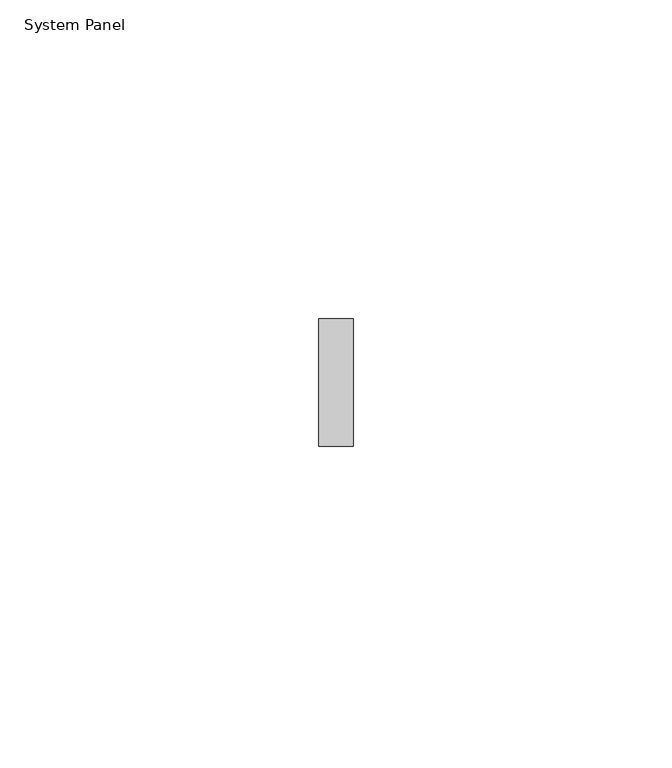
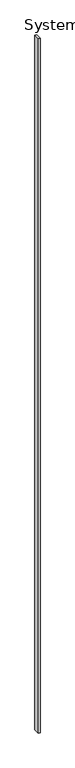
"""IFC4 building model written with IfcOpenShell, lengths in millimetres: plate geometry, System Panel."""

from ifc_helpers import new_model, si_unit, origin, origin_with_axes, place, context, project, spatial, polyline, outline, extrude, source, transform, mapped, element, save


def system_panel_975e6e6e(model_context):
    return source(origin(), model_context, "Body", "SweptSolid", [
        extrude(outline(polyline([(2.6778561, -10.0), (-2.6778561, -10.0), (-2.6778561, 10.0), (2.6778561, 10.0), (2.6778561, -10.0)])), origin_with_axes(), (0.0, 0.0, 1.0), 2400.0),
    ])


if __name__ == "__main__":
    model = new_model("IFC4")
    model_context = context("Model", 3, world=origin())
    ifc_project = project(units=[si_unit("LENGTHUNIT", "METRE", prefix="MILLI")], contexts=[model_context])
    site = spatial("IfcSite", under=ifc_project)
    building = spatial("IfcBuilding", under=site)
    placement = place(None, origin())
    system_panel_shape = system_panel_975e6e6e(model_context)
    element("IfcPlate", 1, ObjectType="System Panel", at=placement, inside=building, context=model_context, shape_type="MappedRepresentation", body=[
        mapped(system_panel_shape, transform((0.0, 0.0, 0.0), x_axis=(1.0, 0.0, 0.0), y_axis=(0.0, 1.0, 0.0), z_axis=(0.0, 0.0, 1.0))),
    ])
    save(model, "model.ifc")
